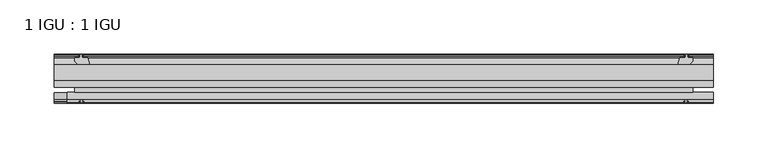
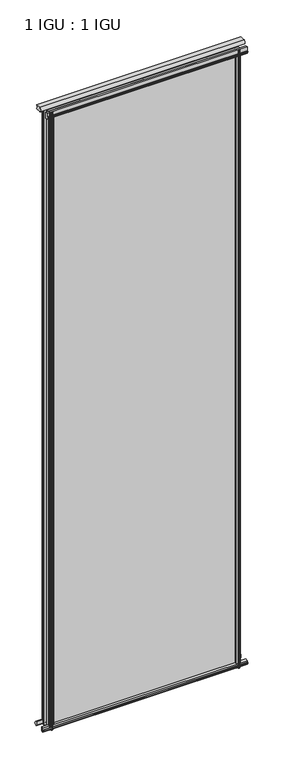
"""IFC4 building model written with IfcOpenShell, lengths in millimetres: plate geometry, 1 IGU : 1 IGU."""

from ifc_helpers import new_model, si_unit, point, frame, frame_2d, origin, place, context, project, spatial, polyline, circle_curve, trimmed, segment, composite_curve, outline, extrude, source, transform, mapped, element, save


def plate_1_igu_1_igu_5cfe4705(model_context):
    return source(origin(), model_context, "Body", "SweptSolid", [
        extrude(outline(polyline([(-285.7500002, -38.6468937), (285.7500002, -38.6468937), (285.7500002, -44.9460938), (-285.7500002, -44.9460938), (-285.7500002, -38.6468937)])), frame((0.0, 0.0, -12.7), z_axis=(0.0, 0.0, 1.0), x_axis=(1.0, 0.0, 0.0)), (0.0, 0.0, 1.0), 1944.7650858),
        extrude(outline(polyline([(-285.7500002, -19.5460937), (285.7500002, -19.5460937), (285.7500002, -25.8960938), (-285.7500002, -25.8960938), (-285.7500002, -19.5460937)])), frame((0.0, 0.0, -12.7), z_axis=(0.0, 0.0, 1.0), x_axis=(1.0, 0.0, 0.0)), (0.0, 0.0, 1.0), 1944.7650858),
        extrude(outline(composite_curve([segment(trimmed(circle_curve(frame_2d((-9.2245666, 1938.378665)), 12.1106873), [point((-19.5460937, 1944.7138702))], [point((-19.5460937, 1932.0434598))], True, "CARTESIAN"), True, "CONTINUOUS"), segment(polyline([(-19.5460937, 1932.0434598), (-33.8757421, 1932.0434598)]), True, "CONTINUOUS"), segment(trimmed(circle_curve(frame_2d((-33.8757421, 1938.378665)), 6.3352052), [point((-33.8757421, 1932.0434598))], [point((-33.8757421, 1944.7138702))], False, "CARTESIAN"), True, "CONTINUOUS"), segment(polyline([(-33.8757421, 1944.7138702), (-19.5460937, 1944.7138702)]), True, "CONTINUOUS")], self_intersect=False)), frame((-304.8000002, 0.0, 0.0), z_axis=(1.0, 0.0, 0.0), x_axis=(0.0, 1.0, 0.0)), (0.0, 0.0, 1.0), 609.6000003),
        extrude(outline(polyline([(-44.9460937, 1.7177181), (-44.9460937, -9.1036578), (-48.3496937, -11.938), (-51.2960937, -11.938), (-51.2960937, -7.493), (-53.6762907, -7.112), (-53.2163575, -8.5275291), (-54.0175717, -8.5275291), (-54.7250937, -6.35), (-54.0175717, -4.1724709), (-53.2163575, -4.1724709), (-53.6762907, -5.588), (-51.2960937, -5.207), (-51.2960937, 0.0), (-44.9460937, 1.7177181)])), frame((-304.8000002, 0.0, 0.0), z_axis=(1.0, 0.0, 0.0), x_axis=(0.0, 1.0, 0.0)), (0.0, 0.0, 1.0), 609.6000003),
        extrude(outline(polyline([(-13.1960937, -12.4587), (-16.1424937, -12.4587), (-19.5460937, -9.6243578), (-19.5460937, 1.1970181), (-13.1960937, -0.5207), (-13.1960937, -5.7277), (-10.8158968, -6.1087), (-11.27583, -4.6931709), (-10.4746158, -4.6931709), (-9.7670937, -6.8707), (-10.4746158, -9.0482291), (-11.27583, -9.0482291), (-10.8158968, -7.6327), (-13.1960937, -8.0137), (-13.1960937, -12.4587)])), frame((-304.8000002, 0.0, 0.0), z_axis=(1.0, 0.0, 0.0), x_axis=(0.0, 1.0, 0.0)), (0.0, 0.0, 1.0), 609.6000003),
        extrude(outline(composite_curve([segment(polyline([(-44.9380025, 1912.9271835), (-51.2960937, 1912.9271835), (-51.2960937, 1917.7531835), (-54.1955564, 1917.7531835), (-54.8194621, 1918.7304759)]), True, "CONTINUOUS"), segment(trimmed(circle_curve(frame_2d((-53.9630937, 1919.2771835)), 1.016), [point((-54.8194621, 1918.7304759))], [point((-54.8194621, 1919.8238911))], False, "CARTESIAN"), True, "CONTINUOUS"), segment(polyline([(-54.8194621, 1919.8238911), (-54.1955564, 1920.8011835), (-51.2878033, 1920.8011835), (-51.2916866, 1931.965867), (-44.9380025, 1931.965867), (-44.9380025, 1912.9271835)]), True, "CONTINUOUS")], self_intersect=False)), frame((-292.542294, 0.0, 0.0), z_axis=(1.0, 0.0, 0.0), x_axis=(0.0, 1.0, 0.0)), (0.0, 0.0, 1.0), 597.3422942),
        extrude(outline(polyline([(271.8529821, -19.5460938), (273.5707002, -13.1960938), (278.7777002, -13.1960938), (279.1587002, -10.8158968), (277.7431711, -11.27583), (277.7431711, -10.4746158), (279.9207002, -9.7670938), (282.0982292, -10.4746158), (282.0982292, -11.27583), (280.6827002, -10.8158968), (281.0637002, -13.1960938), (285.5087002, -13.1960938), (285.5087002, -16.1424938), (282.674358, -19.5460938), (271.8529821, -19.5460938)])), frame((0.0, 0.0, -12.7), z_axis=(0.0, 0.0, 1.0), x_axis=(1.0, 0.0, 0.0)), (0.0, 0.0, 1.0), 1944.7650859),
        extrude(outline(polyline([(271.3322821, -44.9460938), (282.153658, -44.9460938), (284.9880002, -48.3496938), (284.9880002, -51.2960938), (280.5430002, -51.2960938), (280.1620002, -53.6762907), (281.5775292, -53.2163575), (281.5775292, -54.0175717), (279.4000002, -54.7250938), (277.2224711, -54.0175717), (277.2224711, -53.2163575), (278.6380002, -53.6762907), (278.2570002, -51.2960938), (273.0500002, -51.2960938), (271.3322821, -44.9460938)])), frame((0.0, 0.0, -12.7), z_axis=(0.0, 0.0, 1.0), x_axis=(1.0, 0.0, 0.0)), (0.0, 0.0, 1.0), 1944.7650859),
        extrude(outline(polyline([(-279.9207002, -9.7670937), (-277.7431711, -10.4746158), (-277.7431711, -11.27583), (-279.1587002, -10.8158968), (-278.7777002, -13.1960937), (-273.5707002, -13.1960937), (-271.8529821, -19.5460937), (-282.674358, -19.5460937), (-285.5087002, -16.1424937), (-285.5087002, -13.1960937), (-281.0637002, -13.1960937), (-280.6827002, -10.8158968), (-282.0982292, -11.27583), (-282.0982292, -10.4746158), (-279.9207002, -9.7670937)])), frame((0.0, 0.0, -12.7), z_axis=(0.0, 0.0, 1.0), x_axis=(1.0, 0.0, 0.0)), (0.0, 0.0, 1.0), 1944.7650859),
        extrude(outline(polyline([(-284.9880002, -48.3496937), (-282.153658, -44.9460937), (-271.3322821, -44.9460937), (-273.0500002, -51.2960937), (-278.2570002, -51.2960937), (-278.6380002, -53.6762907), (-277.2224711, -53.2163575), (-277.2224711, -54.0175717), (-279.4000002, -54.7250937), (-281.5775292, -54.0175717), (-281.5775292, -53.2163575), (-280.1620002, -53.6762907), (-280.5430002, -51.2960937), (-284.9880002, -51.2960937), (-284.9880002, -48.3496937)])), frame((0.0, 0.0, -12.7), z_axis=(0.0, 0.0, 1.0), x_axis=(1.0, 0.0, 0.0)), (0.0, 0.0, 1.0), 1944.7650859),
    ])


if __name__ == "__main__":
    model = new_model("IFC4")
    model_context = context("Model", 3, world=origin())
    ifc_project = project(units=[si_unit("LENGTHUNIT", "METRE", prefix="MILLI")], contexts=[model_context])
    site = spatial("IfcSite", under=ifc_project)
    building = spatial("IfcBuilding", under=site)
    placement = place(None, origin())
    plate_1_igu_1_igu_shape = plate_1_igu_1_igu_5cfe4705(model_context)
    element("IfcPlate", 1, ObjectType="1 IGU : 1 IGU", at=placement, inside=building, context=model_context, shape_type="MappedRepresentation", body=[
        mapped(plate_1_igu_1_igu_shape, transform((0.0, 0.0, 0.0), x_axis=(1.0, 0.0, 0.0), y_axis=(0.0, 1.0, 0.0), z_axis=(0.0, 0.0, 1.0))),
    ])
    save(model, "model.ifc")
